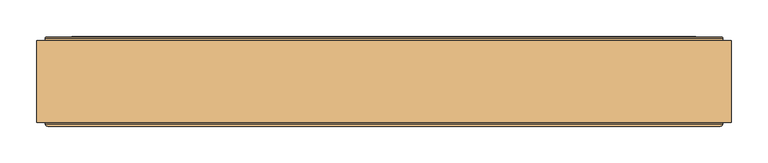
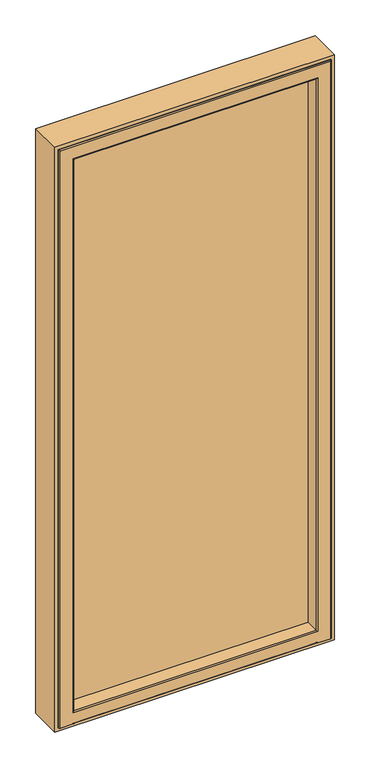
"""IFC4 building model written with IfcOpenShell, lengths in millimetres: door geometry."""

from ifc_helpers import new_model, si_unit, frame, origin, place, context, project, spatial, polyline, circle_curve, ellipse_curve, outline, extrude, faceted_brep, source, transform, mapped, element, save
from ifc_brep_helpers import plane_surface, cylinder_surface, revolved_surface, advanced_brep


def door_372199d7(model_context):
    return source(origin(), model_context, "Body", "SolidModel", [
        advanced_brep(
        [(-409.3629068, 119.0, 60.6370932), (409.3629068, 119.0, 60.6370932), (409.3629068, 119.0, 2034.3629068), (-409.3629068, 119.0, 2034.3629068), (-409.5618051, 119.6559897, 60.4381949), (409.5618051, 119.6559897, 60.4381949), (409.5618051, 119.6559897, 2034.5618051), (-409.5618051, 119.6559897, 2034.5618051), (427.2309509, 194.0, 42.7690491), (-427.2309509, 194.0, 42.7690491), (-427.2309509, 194.0, 2052.2309509), (427.2309509, 194.0, 2052.2309509), (427.2309509, 192.8997284, 42.7690491), (-427.2309509, 192.8997284, 42.7690491), (-427.2309509, 192.8997284, 2052.2309509), (427.2309509, 192.8997284, 2052.2309509), (-429.2309509, 190.8997284, 40.7690491), (429.2309509, 190.8997284, 40.7690491), (429.2309509, 187.3997284, 40.7690491), (-429.2309509, 187.3997284, 40.7690491), (-429.2309509, 190.8997284, 2054.2309509), (429.2309509, 190.8997284, 2054.2309509), (429.2309509, 187.3997284, 2054.2309509), (435.4668953, 187.3997284, 34.5331047), (-435.4668953, 187.3997284, 34.5331047), (-435.4668953, 187.3997284, 2060.4668953), (435.4668953, 187.3997284, 2060.4668953), (-429.2309509, 187.3997284, 2054.2309509), (-426.502163, 182.7141527, 43.497837), (426.502163, 182.7141527, 43.497837), (423.0, 178.685375, 47.0), (-423.0, 178.685375, 47.0), (-426.502163, 185.8085243, 43.497837), (426.502163, 185.8085243, 43.497837), (-426.502163, 182.7141527, 2051.502163), (-426.502163, 185.8085243, 2051.502163), (-435.4668953, 185.8085243, 34.5331047), (435.4668953, 185.8085243, 34.5331047), (435.4668953, 185.8085243, 2060.4668953), (-435.4668953, 185.8085243, 2060.4668953), (426.502163, 185.8085243, 2051.502163), (426.502163, 182.7141527, 2051.502163), (423.0, 178.685375, 2048.0), (423.0, 135.8997284, 47.0), (-423.0, 135.8997284, 47.0), (-423.0, 178.685375, 2048.0), (423.0, 135.8997284, 2048.0), (-423.0, 135.8997284, 2048.0), (411.5562854, 135.8997284, 58.4437146), (-411.5562854, 135.8997284, 58.4437146), (-411.5562854, 135.8997284, 2036.5562854), (411.5562854, 135.8997284, 2036.5562854)],
        [
            (0, 1),
            (1, 2),
            (2, 3),
            (3, 0),
            (4, 5),
            (5, 1, ellipse_curve(frame((407.5767128, 119.8997284, 62.4232872), z_axis=(-0.7071067811865475, 0.0, -0.7071067811865476), x_axis=(-0.7071067811865476, 0.0, 0.7071067811865475)), 2.8284271, 2.0)),
            (0, 4, ellipse_curve(frame((-407.5767128, 119.8997284, 62.4232872), z_axis=(0.7071067811865476, 0.0, -0.7071067811865475), x_axis=(-0.7071067811865475, 0.0, -0.7071067811865475)), 2.8284271, 2.0)),
            (5, 6),
            (6, 2, ellipse_curve(frame((407.5767128, 119.8997284, 2032.5767128), z_axis=(0.7071067811865475, 0.0, -0.7071067811865475), x_axis=(-0.7071067811865474, 0.0, -0.7071067811865476)), 2.8284271, 2.0)),
            (7, 4),
            (3, 7, ellipse_curve(frame((-407.5767128, 119.8997284, 2032.5767128), z_axis=(-0.7071067811865475, 0.0, -0.7071067811865475), x_axis=(-0.7071067811865474, 0.0, 0.7071067811865477)), 2.8284271, 2.0)),
            (8, 9),
            (9, 10),
            (10, 11),
            (11, 8),
            (12, 13),
            (13, 9),
            (8, 12),
            (13, 14),
            (14, 10),
            (15, 12),
            (11, 15),
            (16, 17),
            (17, 18),
            (18, 19),
            (19, 16),
            (16, 13, ellipse_curve(frame((-427.2309509, 190.8997284, 42.7690491), z_axis=(0.7071067811865476, 0.0, -0.7071067811865475), x_axis=(-0.7071067811865475, 0.0, -0.7071067811865475)), 2.8284271, 2.0)),
            (12, 17, ellipse_curve(frame((427.2309509, 190.8997284, 42.7690491), z_axis=(-0.7071067811865475, 0.0, -0.7071067811865476), x_axis=(-0.7071067811865476, 0.0, 0.7071067811865475)), 2.8284271, 2.0)),
            (16, 20),
            (20, 14, ellipse_curve(frame((-427.2309509, 190.8997284, 2052.2309509), z_axis=(-0.7071067811865475, 0.0, -0.7071067811865475), x_axis=(-0.7071067811865474, 0.0, 0.7071067811865477)), 2.8284271, 2.0)),
            (15, 21, ellipse_curve(frame((427.2309509, 190.8997284, 2052.2309509), z_axis=(0.7071067811865475, 0.0, -0.7071067811865475), x_axis=(-0.7071067811865474, 0.0, -0.7071067811865476)), 2.8284271, 2.0)),
            (21, 17),
            (21, 22),
            (22, 18),
            (23, 24),
            (24, 25),
            (25, 26),
            (26, 23),
            (22, 27),
            (27, 19),
            (27, 20),
            (28, 29),
            (29, 30),
            (30, 31),
            (31, 28),
            (28, 32),
            (32, 33),
            (33, 29),
            (28, 34),
            (34, 35),
            (35, 32),
            (36, 37),
            (37, 38),
            (38, 39),
            (39, 36),
            (35, 40),
            (40, 33),
            (40, 41),
            (41, 29),
            (41, 42),
            (42, 30),
            (30, 43),
            (43, 44),
            (44, 31),
            (31, 45),
            (45, 34),
            (42, 46),
            (46, 43),
            (46, 47),
            (47, 44),
            (48, 49),
            (49, 50),
            (50, 51),
            (51, 48),
            (47, 45),
            (4, 49),
            (48, 5),
            (7, 50),
            (51, 6),
            (36, 24),
            (23, 37),
            (39, 25),
            (26, 38),
            (20, 21),
            (15, 14),
            (34, 41),
            (45, 42),
            (7, 6),
        ],
        [
            plane_surface(frame((-458.0, 119.0, 12.0), z_axis=(0.0, -1.0, 0.0), x_axis=(0.0, 0.0, -1.0))),
            cylinder_surface(frame((458.0, 119.8997284, 62.4232872), z_axis=(-1.0, 0.0, 0.0), x_axis=(0.0, 1.0, 0.0)), 2.0),
            cylinder_surface(frame((407.5767128, 119.8997284, 2083.0), z_axis=(0.0, 0.0, -1.0), x_axis=(0.0, 1.0, 0.0)), 2.0),
            cylinder_surface(frame((-407.5767128, 119.8997284, 12.0), z_axis=(0.0, 0.0, 1.0), x_axis=(0.0, 1.0, 0.0)), 2.0),
            plane_surface(frame((-458.0, 194.0, 12.0), z_axis=(0.0, 1.0, 0.0), x_axis=(0.0, 0.0, 1.0))),
            plane_surface(frame((427.2309509, 203.8997284, 42.7690491), z_axis=(0.0, 0.0, -1.0), x_axis=(-1.0, 0.0, 0.0))),
            plane_surface(frame((-427.2309509, 203.8997284, 42.7690491), z_axis=(-1.0, 0.0, 0.0), x_axis=(0.0, 0.0, 1.0))),
            plane_surface(frame((427.2309509, 203.8997284, 2052.2309509), z_axis=(1.0, 0.0, 0.0), x_axis=(0.0, 0.0, -1.0))),
            plane_surface(frame((429.2309509, 190.8997284, 40.7690491), z_axis=(0.0, 0.0, -1.0), x_axis=(-1.0, 0.0, 0.0))),
            cylinder_surface(frame((458.0, 190.8997284, 42.7690491), z_axis=(-1.0, 0.0, 0.0), x_axis=(0.0, 1.0, 0.0)), 2.0),
            cylinder_surface(frame((-427.2309509, 190.8997284, 12.0), z_axis=(0.0, 0.0, 1.0), x_axis=(0.0, 1.0, 0.0)), 2.0),
            cylinder_surface(frame((427.2309509, 190.8997284, 2083.0), z_axis=(0.0, 0.0, -1.0), x_axis=(0.0, 1.0, 0.0)), 2.0),
            plane_surface(frame((429.2309509, 190.8997284, 2054.2309509), z_axis=(1.0, 0.0, 0.0), x_axis=(0.0, 0.0, -1.0))),
            plane_surface(frame((429.2309509, 187.3997284, 2054.2309509), z_axis=(0.0, 1.0, 0.0), x_axis=(0.0, 0.0, -1.0))),
            plane_surface(frame((-429.2309509, 190.8997284, 40.7690491), z_axis=(-1.0, 0.0, 0.0), x_axis=(0.0, 0.0, 1.0))),
            plane_surface(frame((426.502163, 182.7141527, 43.497837), z_axis=(0.0, -0.6560590289906566, -0.7547095802226422), x_axis=(-1.0, 0.0, 0.0))),
            plane_surface(frame((426.502163, 185.8085243, 43.497837), z_axis=(0.0, 0.0, -1.0), x_axis=(-1.0, 0.0, 0.0))),
            plane_surface(frame((-426.502163, 185.8085243, 43.497837), z_axis=(-1.0, 0.0, 0.0), x_axis=(0.0, 0.0, 1.0))),
            plane_surface(frame((435.4668953, 185.8085243, 2060.4668953), z_axis=(0.0, -1.0, 0.0), x_axis=(0.0, 0.0, -1.0))),
            plane_surface(frame((426.502163, 185.8085243, 2051.502163), z_axis=(1.0, 0.0, 0.0), x_axis=(0.0, 0.0, -1.0))),
            plane_surface(frame((426.502163, 182.7141527, 2051.502163), z_axis=(0.7547095802226401, -0.656059028990659, 0.0), x_axis=(0.0, 0.0, -1.0))),
            plane_surface(frame((423.0, 178.685375, 47.0), z_axis=(0.0, 0.0, -1.0), x_axis=(-1.0, 0.0, 0.0))),
            plane_surface(frame((-426.502163, 182.7141527, 43.497837), z_axis=(-0.7547095802226443, -0.6560590289906542, 0.0), x_axis=(0.0, 0.0, 1.0))),
            plane_surface(frame((423.0, 178.685375, 2048.0), z_axis=(1.0, 0.0, 0.0), x_axis=(0.0, 0.0, -1.0))),
            plane_surface(frame((423.0, 135.8997284, 2048.0), z_axis=(0.0, -1.0, 0.0), x_axis=(0.0, 0.0, -1.0))),
            plane_surface(frame((-423.0, 178.685375, 47.0), z_axis=(-1.0, 0.0, 0.0), x_axis=(0.0, 0.0, 1.0))),
            plane_surface(frame((411.5562854, 135.8997284, 58.4437146), z_axis=(0.0, -0.12186934340509752, -0.9925461516413282), x_axis=(-1.0, 0.0, 0.0))),
            plane_surface(frame((-411.5562854, 135.8997284, 58.4437146), z_axis=(-0.9925461516413286, -0.12186934340509432, 0.0), x_axis=(0.0, 0.0, 1.0))),
            plane_surface(frame((411.5562854, 135.8997284, 2036.5562854), z_axis=(0.9925461516413278, -0.12186934340510071, 0.0), x_axis=(0.0, 0.0, -1.0))),
            plane_surface(frame((435.4668953, 187.3997284, 34.5331047), z_axis=(0.0, 0.0, -1.0), x_axis=(-1.0, 0.0, 0.0))),
            plane_surface(frame((-435.4668953, 187.3997284, 34.5331047), z_axis=(-1.0, 0.0, 0.0), x_axis=(0.0, 0.0, 1.0))),
            plane_surface(frame((435.4668953, 187.3997284, 2060.4668953), z_axis=(1.0, 0.0, 0.0), x_axis=(0.0, 0.0, -1.0))),
            cylinder_surface(frame((-458.0, 190.8997284, 2052.2309509), z_axis=(1.0, 0.0, 0.0), x_axis=(0.0, 1.0, 0.0)), 2.0),
            plane_surface(frame((-429.2309509, 190.8997284, 2054.2309509), z_axis=(0.0, 0.0, 1.0), x_axis=(1.0, 0.0, 0.0))),
            plane_surface(frame((-426.502163, 185.8085243, 2051.502163), z_axis=(0.0, 0.0, 1.0), x_axis=(1.0, 0.0, 0.0))),
            plane_surface(frame((-426.502163, 182.7141527, 2051.502163), z_axis=(0.0, -0.6560590289906566, 0.7547095802226422), x_axis=(1.0, 0.0, 0.0))),
            plane_surface(frame((-423.0, 178.685375, 2048.0), z_axis=(0.0, 0.0, 1.0), x_axis=(1.0, 0.0, 0.0))),
            plane_surface(frame((-411.5562854, 135.8997284, 2036.5562854), z_axis=(0.0, -0.12186934340509752, 0.9925461516413282), x_axis=(1.0, 0.0, 0.0))),
            cylinder_surface(frame((-458.0, 119.8997284, 2032.5767128), z_axis=(1.0, 0.0, 0.0), x_axis=(0.0, 1.0, 0.0)), 2.0),
            plane_surface(frame((-427.2309509, 203.8997284, 2052.2309509), z_axis=(0.0, 0.0, 1.0), x_axis=(1.0, 0.0, 0.0))),
            plane_surface(frame((-435.4668953, 187.3997284, 2060.4668953), z_axis=(0.0, 0.0, 1.0), x_axis=(1.0, 0.0, 0.0))),
        ],
        [
            (0, [[1, 2, 3, 4]]),
            (1, [[5, 6, -1, 7]]),
            (2, [[8, 9, -2, -6]]),
            (3, [[10, -7, -4, 11]]),
            (4, [[12, 13, 14, 15]]),
            (5, [[16, 17, -12, 18]]),
            (6, [[19, 20, -13, -17]]),
            (7, [[21, -18, -15, 22]]),
            (8, [[23, 24, 25, 26]]),
            (9, [[-23, 27, -16, 28]]),
            (10, [[-27, 29, 30, -19]]),
            (11, [[-28, -21, 31, 32]]),
            (12, [[-24, -32, 33, 34]]),
            (13, [[35, 36, 37, 38], [-25, -34, 39, 40]]),
            (14, [[-26, -40, 41, -29]]),
            (15, [[42, 43, 44, 45]]),
            (16, [[-42, 46, 47, 48]]),
            (17, [[-46, 49, 50, 51]]),
            (18, [[52, 53, 54, 55], [-47, -51, 56, 57]]),
            (19, [[-48, -57, 58, 59]]),
            (20, [[-43, -59, 60, 61]]),
            (21, [[-44, 62, 63, 64]]),
            (22, [[-45, 65, 66, -49]]),
            (23, [[-62, -61, 67, 68]]),
            (24, [[-63, -68, 69, 70], [71, 72, 73, 74]]),
            (25, [[-64, -70, 75, -65]]),
            (26, [[-5, 76, -71, 77]]),
            (27, [[-76, -10, 78, -72]]),
            (28, [[-77, -74, 79, -8]]),
            (29, [[-52, 80, -35, 81]]),
            (30, [[-80, -55, 82, -36]]),
            (31, [[-81, -38, 83, -53]]),
            (32, [[-30, 84, -31, 85]]),
            (33, [[-41, -39, -33, -84]]),
            (34, [[-50, 86, -58, -56]]),
            (35, [[-66, 87, -60, -86]]),
            (36, [[-75, -69, -67, -87]]),
            (37, [[-78, 88, -79, -73]]),
            (38, [[-88, -11, -3, -9]]),
            (39, [[-85, -22, -14, -20]]),
            (40, [[-82, -54, -83, -37]]),
        ],
    ),
        advanced_brep(
        [(-437.7857488, 191.365608, 30.5880353), (-437.7857488, 194.0, 27.6103969), (-437.7857488, 194.0, 15.0), (-437.7857488, 191.0, 12.0), (-437.7857488, 186.453125, 12.0), (-437.7857488, 186.453125, 31.1912124), (437.7857488, 191.365608, 30.5880353), (437.7857488, 194.0, 27.6103969), (437.7857488, 194.0, 15.0), (437.7857488, 191.0, 12.0), (437.7857488, 186.453125, 12.0), (438.6, 186.453125, 12.0), (438.6, 193.0, 12.0), (439.6, 194.0, 12.0), (462.0, 194.0, 12.0), (463.0, 193.0, 12.0), (463.0, 75.0, 12.0), (460.0, 72.0, 12.0), (416.0, 72.0, 12.0), (413.0, 75.0, 12.0), (-413.0, 75.0, 12.0), (-416.0, 72.0, 12.0), (-460.0, 72.0, 12.0), (-463.0, 75.0, 12.0), (-463.0, 193.0, 12.0), (-462.0, 194.0, 12.0), (-439.6, 194.0, 12.0), (-438.6, 193.0, 12.0), (-438.6, 186.453125, 12.0), (437.7857488, 186.453125, 31.1912124), (437.7857488, 186.453125, 2062.7857488), (-437.7857488, 186.453125, 2062.7857488), (-438.6, 186.453125, 2063.6), (438.6, 186.453125, 2063.6), (-431.1386925, 132.317196, 37.8382687), (431.1386925, 132.317196, 37.8382687), (-431.1386925, 132.317196, 2056.1386925), (-429.6498733, 131.0, 39.3270879), (429.6498733, 131.0, 39.3270879), (431.1386925, 132.317196, 2056.1386925), (438.6, 193.0, 2063.6), (439.6, 194.0, 2064.6), (-439.6, 194.0, 2064.6), (-462.0, 194.0, 2087.0), (462.0, 194.0, 2087.0), (463.0, 193.0, 2088.0), (463.0, 75.0, 2088.0), (460.0, 72.0, 2085.0), (-416.0, 72.0, 15.0), (416.0, 72.0, 15.0), (-460.0, 72.0, 2085.0), (416.0, 72.0, 53.0), (-416.0, 72.0, 53.0), (-416.0, 72.0, 2041.0), (416.0, 72.0, 2041.0), (413.0, 75.0, 2038.0), (413.0, 75.0, 56.0), (-413.0, 75.0, 2038.0), (-413.0, 75.0, 56.0), (-463.0, 75.0, 2088.0), (-463.0, 193.0, 2088.0), (-438.6, 193.0, 2063.6), (413.0, 129.5, 56.0), (-413.0, 129.5, 56.0), (413.0, 129.5, 2038.0), (414.5, 131.0, 54.5), (-414.5, 131.0, 54.5), (-413.0, 129.5, 2038.0), (414.5, 131.0, 2039.5), (-429.6498733, 131.0, 2054.6498733), (429.6498733, 131.0, 2054.6498733), (-414.5, 131.0, 2039.5)],
        [
            (0, 1, circle_curve(frame((-437.7857488, 191.0, 27.6103969), z_axis=(-1.0, 0.0, 0.0), x_axis=(0.0, -1.0, 0.0)), 3.0)),
            (1, 2),
            (2, 3, circle_curve(frame((-437.7857488, 191.0, 15.0), z_axis=(-1.0, 0.0, 0.0), x_axis=(0.0, -1.0, 0.0)), 3.0)),
            (3, 4),
            (4, 5),
            (5, 0),
            (0, 6),
            (6, 7, circle_curve(frame((437.7857488, 191.0, 27.6103969), z_axis=(-1.0, 0.0, 0.0), x_axis=(0.0, -1.0, 0.0)), 3.0)),
            (7, 1),
            (7, 8),
            (8, 2),
            (8, 9, circle_curve(frame((437.7857488, 191.0, 15.0), z_axis=(-1.0, 0.0, 0.0), x_axis=(0.0, -1.0, 0.0)), 3.0)),
            (9, 3),
            (9, 10),
            (10, 11),
            (11, 12),
            (12, 13, circle_curve(frame((439.6, 193.0, 12.0), z_axis=(0.0, 0.0, -1.0), x_axis=(0.0, 1.0, 0.0)), 1.0)),
            (13, 14),
            (14, 15, circle_curve(frame((462.0, 193.0, 12.0), z_axis=(0.0, 0.0, -1.0), x_axis=(0.0, 1.0, 0.0)), 1.0)),
            (15, 16),
            (16, 17, circle_curve(frame((460.0, 75.0, 12.0), z_axis=(0.0, 0.0, -1.0), x_axis=(0.0, 1.0, 0.0)), 3.0)),
            (17, 18),
            (18, 19, circle_curve(frame((416.0, 75.0, 12.0), z_axis=(0.0, 0.0, -1.0), x_axis=(0.0, 1.0, 0.0)), 3.0)),
            (19, 20),
            (20, 21, circle_curve(frame((-416.0, 75.0, 12.0), z_axis=(0.0, 0.0, -1.0), x_axis=(0.0, 1.0, 0.0)), 3.0)),
            (21, 22),
            (22, 23, circle_curve(frame((-460.0, 75.0, 12.0), z_axis=(0.0, 0.0, -1.0), x_axis=(0.0, 1.0, 0.0)), 3.0)),
            (23, 24),
            (24, 25, circle_curve(frame((-462.0, 193.0, 12.0), z_axis=(0.0, 0.0, -1.0), x_axis=(0.0, 1.0, 0.0)), 1.0)),
            (25, 26),
            (26, 27, circle_curve(frame((-439.6, 193.0, 12.0), z_axis=(0.0, 0.0, -1.0), x_axis=(0.0, 1.0, 0.0)), 1.0)),
            (27, 28),
            (28, 4),
            (10, 29),
            (29, 30),
            (30, 31),
            (31, 5),
            (28, 32),
            (32, 33),
            (33, 11),
            (5, 34),
            (34, 35),
            (35, 29),
            (29, 6),
            (31, 36),
            (36, 34),
            (34, 37, ellipse_curve(frame((-429.6498733, 132.5, 39.3270879), z_axis=(-0.7071067811865475, 0.0, 0.7071067811865475), x_axis=(0.7071067811865476, 0.0, 0.7071067811865474)), 2.1213203, 1.5)),
            (37, 38),
            (38, 35, ellipse_curve(frame((429.6498733, 132.5, 39.3270879), z_axis=(0.7071067811865475, 0.0, 0.7071067811865475), x_axis=(0.7071067811865476, 0.0, -0.7071067811865474)), 2.1213203, 1.5)),
            (39, 30),
            (35, 39),
            (33, 40),
            (40, 12),
            (40, 41, ellipse_curve(frame((439.6, 193.0, 2064.6), z_axis=(0.7071067811865475, 0.0, -0.7071067811865475), x_axis=(-0.7071067811865474, 0.0, -0.7071067811865476)), 1.4142136, 1.0)),
            (41, 13),
            (41, 42),
            (42, 26),
            (25, 43),
            (43, 44),
            (44, 14),
            (44, 45, ellipse_curve(frame((462.0, 193.0, 2087.0), z_axis=(0.7071067811865475, 0.0, -0.7071067811865475), x_axis=(-0.7071067811865474, 0.0, -0.7071067811865476)), 1.4142136, 1.0)),
            (45, 15),
            (45, 46),
            (46, 16),
            (46, 47, ellipse_curve(frame((460.0, 75.0, 2085.0), z_axis=(0.7071067811865475, 0.0, -0.7071067811865475), x_axis=(-0.7071067811865474, 0.0, -0.7071067811865476)), 4.2426407, 3.0)),
            (47, 17),
            (48, 49),
            (49, 18),
            (47, 50),
            (50, 22),
            (21, 48),
            (51, 52),
            (52, 53),
            (53, 54),
            (54, 51),
            (49, 19, ellipse_curve(frame((416.0, 75.0, 15.0), z_axis=(0.7071067811865475, 0.0, -0.7071067811865475), x_axis=(-0.7071067811865474, 0.0, -0.7071067811865476)), 4.2426407, 3.0)),
            (54, 55, ellipse_curve(frame((416.0, 75.0, 2041.0), z_axis=(0.7071067811865475, 0.0, -0.7071067811865475), x_axis=(-0.7071067811865474, 0.0, -0.7071067811865476)), 4.2426407, 3.0)),
            (55, 56),
            (56, 51, ellipse_curve(frame((416.0, 75.0, 53.0), z_axis=(0.7071067811865475, 0.0, 0.7071067811865475), x_axis=(0.7071067811865474, 0.0, -0.7071067811865476)), 4.2426407, 3.0)),
            (48, 20, ellipse_curve(frame((-416.0, 75.0, 15.0), z_axis=(0.7071067811865475, 0.0, 0.7071067811865475), x_axis=(-0.7071067811865476, 0.0, 0.7071067811865474)), 4.2426407, 3.0)),
            (57, 53, ellipse_curve(frame((-416.0, 75.0, 2041.0), z_axis=(-0.7071067811865475, 0.0, -0.7071067811865475), x_axis=(-0.7071067811865474, 0.0, 0.7071067811865476)), 4.2426407, 3.0)),
            (52, 58, ellipse_curve(frame((-416.0, 75.0, 53.0), z_axis=(-0.7071067811865475, 0.0, 0.7071067811865475), x_axis=(0.7071067811865474, 0.0, 0.7071067811865476)), 4.2426407, 3.0)),
            (58, 57),
            (50, 59, ellipse_curve(frame((-460.0, 75.0, 2085.0), z_axis=(-0.7071067811865475, 0.0, -0.7071067811865475), x_axis=(-0.7071067811865474, 0.0, 0.7071067811865476)), 4.2426407, 3.0)),
            (59, 23),
            (59, 60),
            (60, 24),
            (60, 43, ellipse_curve(frame((-462.0, 193.0, 2087.0), z_axis=(-0.7071067811865475, 0.0, -0.7071067811865475), x_axis=(-0.7071067811865474, 0.0, 0.7071067811865476)), 1.4142136, 1.0)),
            (42, 61, ellipse_curve(frame((-439.6, 193.0, 2064.6), z_axis=(-0.7071067811865475, 0.0, -0.7071067811865475), x_axis=(-0.7071067811865474, 0.0, 0.7071067811865476)), 1.4142136, 1.0)),
            (61, 27),
            (61, 32),
            (56, 58),
            (56, 62),
            (62, 63),
            (63, 58),
            (55, 64),
            (64, 62),
            (62, 65, ellipse_curve(frame((414.5, 129.5, 54.5), z_axis=(-0.7071067811865475, 0.0, -0.7071067811865475), x_axis=(-0.7071067811865476, 0.0, 0.7071067811865474)), 2.1213203, 1.5)),
            (65, 66),
            (66, 63, ellipse_curve(frame((-414.5, 129.5, 54.5), z_axis=(0.7071067811865475, 0.0, -0.7071067811865475), x_axis=(-0.7071067811865476, 0.0, -0.7071067811865474)), 2.1213203, 1.5)),
            (67, 57),
            (63, 67),
            (64, 68, ellipse_curve(frame((414.5, 129.5, 2039.5), z_axis=(0.7071067811865475, 0.0, -0.7071067811865475), x_axis=(-0.7071067811865474, 0.0, -0.7071067811865476)), 2.1213203, 1.5)),
            (68, 65),
            (69, 70),
            (70, 38),
            (37, 69),
            (68, 71),
            (71, 66),
            (71, 67, ellipse_curve(frame((-414.5, 129.5, 2039.5), z_axis=(-0.7071067811865475, 0.0, -0.7071067811865475), x_axis=(-0.7071067811865474, 0.0, 0.7071067811865476)), 2.1213203, 1.5)),
            (70, 39, ellipse_curve(frame((429.6498733, 132.5, 2054.6498733), z_axis=(-0.7071067811865475, 0.0, 0.7071067811865475), x_axis=(0.7071067811865474, 0.0, 0.7071067811865476)), 2.1213203, 1.5)),
            (36, 69, ellipse_curve(frame((-429.6498733, 132.5, 2054.6498733), z_axis=(0.7071067811865475, 0.0, 0.7071067811865475), x_axis=(0.7071067811865474, 0.0, -0.7071067811865476)), 2.1213203, 1.5)),
            (64, 67),
            (36, 39),
            (61, 40),
            (60, 45),
            (59, 46),
            (57, 55),
        ],
        [
            plane_surface(frame((-437.7857488, 191.365608, 30.5880353), z_axis=(-1.0, 0.0, 0.0), x_axis=(0.0, 0.9925461516412108, -0.12186934340605346))),
            cylinder_surface(frame((437.7857488, 191.0, 27.6103969), z_axis=(-1.0, 0.0, 0.0), x_axis=(0.0, -1.0, 0.0)), 3.0),
            plane_surface(frame((-437.7857488, 194.0, 27.6103969), z_axis=(0.0, 1.0, 5.015401888247827e-12), x_axis=(1.0, 0.0, 0.0))),
            cylinder_surface(frame((437.7857488, 191.0, 15.0), z_axis=(-1.0, 0.0, 0.0), x_axis=(0.0, -1.0, 0.0)), 3.0),
            plane_surface(frame((-437.7857488, 191.0, 12.0), z_axis=(0.0, 0.0, -1.0), x_axis=(1.0, 0.0, 0.0))),
            plane_surface(frame((437.7857488, 186.453125, 12.0), z_axis=(0.0, 1.0, 0.0), x_axis=(0.0, 0.0, 1.0))),
            plane_surface(frame((-437.7857488, 132.317196, 37.8382687), z_axis=(0.0, 0.12186934340605346, 0.9925461516412108), x_axis=(1.0, 0.0, 0.0))),
            plane_surface(frame((437.7857488, 191.365608, 30.5880353), z_axis=(1.0, 0.0, 0.0), x_axis=(0.0, -0.9925461516412108, 0.12186934340605346))),
            plane_surface(frame((-431.1386925, 132.317196, 2056.1386925), z_axis=(0.9925461516413233, 0.12186934340513729, 0.0), x_axis=(0.0, 0.0, -1.0))),
            revolved_surface(polyline([(431.1498732691987, 131.0, 39.3270879), (-431.14987326919874, 131.0, 39.3270879)]), (437.7857488, 132.5, 39.3270879), (1.0, 0.0, 0.0)),
            plane_surface(frame((431.1386925, 132.317196, 12.0), z_axis=(-0.9925461516413233, 0.12186934340513729, 0.0), x_axis=(0.0, 0.0, 1.0))),
            plane_surface(frame((438.6, 186.453125, 12.0), z_axis=(-1.0, 0.0, 0.0), x_axis=(0.0, 0.0, 1.0))),
            cylinder_surface(frame((439.6, 193.0, 12.0), z_axis=(0.0, 0.0, -1.0), x_axis=(0.0, 1.0, 0.0)), 1.0),
            plane_surface(frame((439.6, 194.0, 12.0), z_axis=(0.0, 1.0, 0.0), x_axis=(0.0, 0.0, 1.0))),
            cylinder_surface(frame((462.0, 193.0, 12.0), z_axis=(0.0, 0.0, -1.0), x_axis=(0.0, 1.0, 0.0)), 1.0),
            plane_surface(frame((463.0, 193.0, 12.0), z_axis=(1.0, 0.0, 0.0), x_axis=(0.0, 0.0, 1.0))),
            cylinder_surface(frame((460.0, 75.0, 12.0), z_axis=(0.0, 0.0, -1.0), x_axis=(0.0, 1.0, 0.0)), 3.0),
            plane_surface(frame((-437.7857488, 72.0, 15.0), z_axis=(0.0, -1.0, 1.6904214870017627e-12), x_axis=(1.0, 0.0, 0.0))),
            cylinder_surface(frame((416.0, 75.0, 12.0), z_axis=(0.0, 0.0, -1.0), x_axis=(0.0, 1.0, 0.0)), 3.0),
            cylinder_surface(frame((437.7857488, 75.0, 15.0), z_axis=(-1.0, 0.0, 0.0), x_axis=(0.0, -1.0, 0.0)), 3.0),
            cylinder_surface(frame((-416.0, 75.0, 2100.0), z_axis=(0.0, 0.0, 1.0), x_axis=(0.0, 1.0, 0.0)), 3.0),
            cylinder_surface(frame((-460.0, 75.0, 2100.0), z_axis=(0.0, 0.0, 1.0), x_axis=(0.0, 1.0, 0.0)), 3.0),
            plane_surface(frame((-463.0, 193.0, 2088.0), z_axis=(-1.0, 0.0, 0.0), x_axis=(0.0, 0.0, -1.0))),
            cylinder_surface(frame((-462.0, 193.0, 2100.0), z_axis=(0.0, 0.0, 1.0), x_axis=(0.0, 1.0, 0.0)), 1.0),
            cylinder_surface(frame((-439.6, 193.0, 2100.0), z_axis=(0.0, 0.0, 1.0), x_axis=(0.0, 1.0, 0.0)), 1.0),
            plane_surface(frame((-438.6, 186.453125, 2063.6), z_axis=(1.0, 0.0, 0.0), x_axis=(0.0, 0.0, -1.0))),
            cylinder_surface(frame((437.7857488, 75.0, 53.0), z_axis=(-1.0, 0.0, 0.0), x_axis=(0.0, -1.0, 0.0)), 3.0),
            plane_surface(frame((-437.7857488, 75.0, 56.0), z_axis=(0.0, 0.0, 1.0), x_axis=(1.0, 0.0, 0.0))),
            plane_surface(frame((413.0, 75.0, 12.0), z_axis=(-1.0, 0.0, 0.0), x_axis=(0.0, 0.0, 1.0))),
            cylinder_surface(frame((437.7857488, 129.5, 54.5), z_axis=(-1.0, 0.0, 0.0), x_axis=(0.0, -1.0, 0.0)), 1.5),
            plane_surface(frame((-413.0, 75.0, 2038.0), z_axis=(1.0, 0.0, 0.0), x_axis=(0.0, 0.0, -1.0))),
            cylinder_surface(frame((414.5, 129.5, 12.0), z_axis=(0.0, 0.0, -1.0), x_axis=(0.0, 1.0, 0.0)), 1.5),
            plane_surface(frame((-437.7857488, 131.0, 54.5), z_axis=(0.0, 1.0, 0.0), x_axis=(1.0, 0.0, 0.0))),
            cylinder_surface(frame((-414.5, 129.5, 2100.0), z_axis=(0.0, 0.0, 1.0), x_axis=(0.0, 1.0, 0.0)), 1.5),
            revolved_surface(polyline([(429.6498733, 134.0, 2056.1498732691985), (429.6498733, 134.0, 37.827087930801326)]), (429.6498733, 132.5, 12.0), (0.0, 0.0, 1.0)),
            revolved_surface(polyline([(-429.6498733, 134.0, 37.827087930801554), (-429.6498733, 134.0, 2056.1498732691985)]), (-429.6498733, 132.5, 2100.0), (0.0, 0.0, -1.0)),
            cylinder_surface(frame((475.0, 129.5, 2039.5), z_axis=(1.0, 0.0, 0.0), x_axis=(0.0, 1.0, 0.0)), 1.5),
            revolved_surface(polyline([(-431.1498732691988, 134.0, 2054.6498733), (431.1498732691987, 134.0, 2054.6498733)]), (475.0, 132.5, 2054.6498733), (-1.0, 0.0, 0.0)),
            plane_surface(frame((431.1386925, 132.317196, 2056.1386925), z_axis=(0.0, 0.12186934340513729, -0.9925461516413233), x_axis=(-1.0, 0.0, 0.0))),
            plane_surface(frame((438.6, 186.453125, 2063.6), z_axis=(0.0, 0.0, -1.0), x_axis=(-1.0, 0.0, 0.0))),
            cylinder_surface(frame((475.0, 193.0, 2064.6), z_axis=(1.0, 0.0, 0.0), x_axis=(0.0, 1.0, 0.0)), 1.0),
            cylinder_surface(frame((475.0, 193.0, 2087.0), z_axis=(1.0, 0.0, 0.0), x_axis=(0.0, 1.0, 0.0)), 1.0),
            plane_surface(frame((463.0, 193.0, 2088.0), z_axis=(0.0, 0.0, 1.0), x_axis=(-1.0, 0.0, 0.0))),
            cylinder_surface(frame((475.0, 75.0, 2085.0), z_axis=(1.0, 0.0, 0.0), x_axis=(0.0, 1.0, 0.0)), 3.0),
            cylinder_surface(frame((475.0, 75.0, 2041.0), z_axis=(1.0, 0.0, 0.0), x_axis=(0.0, 1.0, 0.0)), 3.0),
            plane_surface(frame((413.0, 75.0, 2038.0), z_axis=(0.0, 0.0, -1.0), x_axis=(-1.0, 0.0, 0.0))),
        ],
        [
            (0, [[1, 2, 3, 4, 5, 6]]),
            (1, [[-1, 7, 8, 9]]),
            (2, [[-2, -9, 10, 11]]),
            (3, [[-3, -11, 12, 13]]),
            (4, [[-13, 14, 15, 16, 17, 18, 19, 20, 21, 22, 23, 24, 25, 26, 27, 28, 29, 30, 31, 32, 33, -4]]),
            (5, [[-15, 34, 35, 36, 37, -5, -33, 38, 39, 40]]),
            (6, [[-7, -6, 41, 42, 43, 44]]),
            (7, [[-12, -10, -8, -44, -34, -14]]),
            (8, [[45, 46, -41, -37]]),
            (9, [[-42, 47, 48, 49]]),
            (10, [[50, -35, -43, 51]]),
            (11, [[-16, -40, 52, 53]]),
            (12, [[-17, -53, 54, 55]]),
            (13, [[-18, -55, 56, 57, -30, 58, 59, 60]]),
            (14, [[-19, -60, 61, 62]]),
            (15, [[-20, -62, 63, 64]]),
            (16, [[-21, -64, 65, 66]]),
            (17, [[67, 68, -22, -66, 69, 70, -26, 71], [72, 73, 74, 75]]),
            (18, [[-23, -68, 76]]),
            (18, [[77, 78, 79, -75]]),
            (19, [[-24, -76, -67, 80]]),
            (20, [[-25, -80, -71]]),
            (20, [[81, -73, 82, 83]]),
            (21, [[84, 85, -27, -70]]),
            (22, [[86, 87, -28, -85]]),
            (23, [[88, -58, -29, -87]]),
            (24, [[89, 90, -31, -57]]),
            (25, [[91, -38, -32, -90]]),
            (26, [[-72, -79, 92, -82]]),
            (27, [[-92, 93, 94, 95]]),
            (28, [[96, 97, -93, -78]]),
            (29, [[-94, 98, 99, 100]]),
            (30, [[101, -83, -95, 102]]),
            (31, [[103, 104, -98, -97]]),
            (32, [[105, 106, -48, 107], [-99, -104, 108, 109]]),
            (33, [[110, -102, -100, -109]]),
            (34, [[-106, 111, -51, -49]]),
            (35, [[112, -107, -47, -46]]),
            (36, [[-103, 113, -110, -108]]),
            (37, [[-111, -105, -112, 114]]),
            (38, [[-114, -45, -36, -50]]),
            (39, [[-52, -39, -91, 115]]),
            (40, [[-115, -89, -56, -54]]),
            (41, [[-61, -59, -88, 116]]),
            (42, [[-116, -86, 117, -63]]),
            (43, [[-117, -84, -69, -65]]),
            (44, [[-77, -74, -81, 118]]),
            (45, [[-113, -96, -118, -101]]),
        ],
    ),
        faceted_brep([(475.0, 77.0, 2100.0), (475.0, 189.0, 2100.0), (-475.0, 189.0, 2100.0), (-475.0, 77.0, 2100.0), (463.0, 189.0, 2088.0), (463.0, 77.0, 2088.0), (-463.0, 77.0, 2088.0), (-463.0, 189.0, 2088.0), (-475.0, 189.0, 0.0), (-475.0, 77.0, 0.0), (-463.0, 77.0, 12.0), (-463.0, 189.0, 12.0), (475.0, 189.0, 0.0), (475.0, 77.0, 0.0), (463.0, 77.0, 12.0), (463.0, 189.0, 12.0), (458.0, 189.0, 12.0), (-458.0, 189.0, 12.0)], [[[0, 1, 2, 3]], [[4, 5, 6, 7]], [[3, 2, 8, 9]], [[7, 6, 10, 11]], [[9, 8, 12, 13]], [[11, 10, 14, 15, 16, 17]], [[1, 0, 13, 12]], [[0, 3, 9, 13], [6, 5, 14, 10]], [[5, 4, 15, 14]], [[2, 1, 12, 8], [4, 7, 11, 17, 16, 15]]]),
        extrude(outline(polyline([(-427.2309509, 192.8997284), (-427.2309509, 194.9996107), (426.502163, 194.9996107), (426.502163, 192.8997284), (-427.2309509, 192.8997284)])), frame((0.0, 0.0, 45.5), z_axis=(0.0, 0.0, 1.0), x_axis=(1.0, 0.0, 0.0)), (0.0, 0.0, 1.0), 120.0016413),
    ])


if __name__ == "__main__":
    model = new_model("IFC4")
    model_context = context("Model", 3, world=origin())
    ifc_project = project(units=[si_unit("LENGTHUNIT", "METRE", prefix="MILLI")], contexts=[model_context])
    site = spatial("IfcSite", under=ifc_project)
    building = spatial("IfcBuilding", under=site)
    placement = place(None, origin())
    door_shape = door_372199d7(model_context)
    element("IfcDoor", 1, at=placement, inside=building, context=model_context, shape_type="MappedRepresentation", body=[
        mapped(door_shape, transform((0.0, 0.0, 0.0), x_axis=(1.0, 0.0, 0.0), y_axis=(0.0, 1.0, 0.0), z_axis=(0.0, 0.0, 1.0))),
    ])
    save(model, "model.ifc")
